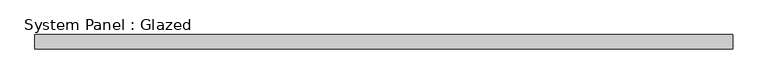
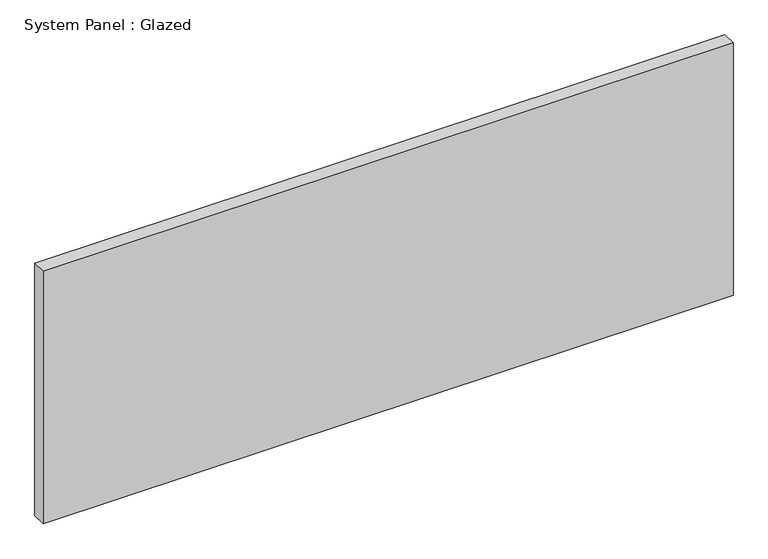
"""IFC4 building model written with IfcOpenShell, lengths in millimetres: plate geometry, System Panel : Glazed."""

from ifc_helpers import new_model, si_unit, origin, origin_with_axes, place, context, project, spatial, polyline, outline, extrude, source, transform, mapped, element, save


def system_panel_glazed_cc8655e2(model_context):
    return source(origin(), model_context, "Body", "SweptSolid", [
        extrude(outline(polyline([(614.2988872, 24.5), (-614.2988872, 24.5), (-614.2988872, 49.5), (614.2988872, 49.5), (614.2988872, 24.5)])), origin_with_axes(), (0.0, 0.0, 1.0), 475.0),
    ])


if __name__ == "__main__":
    model = new_model("IFC4")
    model_context = context("Model", 3, world=origin())
    ifc_project = project(units=[si_unit("LENGTHUNIT", "METRE", prefix="MILLI")], contexts=[model_context])
    site = spatial("IfcSite", under=ifc_project)
    building = spatial("IfcBuilding", under=site)
    placement = place(None, origin())
    system_panel_glazed_shape = system_panel_glazed_cc8655e2(model_context)
    element("IfcPlate", 1, ObjectType="System Panel : Glazed", at=placement, inside=building, context=model_context, shape_type="MappedRepresentation", body=[
        mapped(system_panel_glazed_shape, transform((0.0, 0.0, 0.0), x_axis=(1.0, 0.0, 0.0), y_axis=(0.0, 1.0, 0.0), z_axis=(0.0, 0.0, 1.0))),
    ])
    save(model, "model.ifc")
